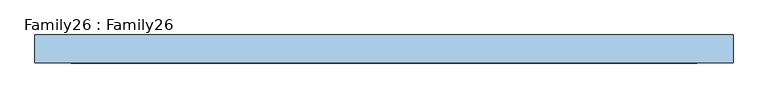
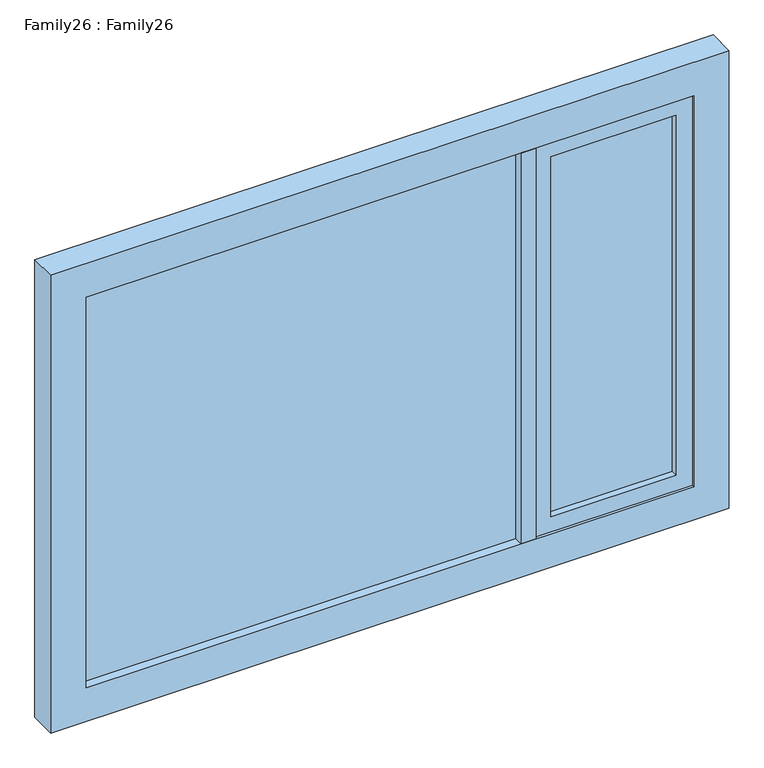
"""IFC4 building model written with IfcOpenShell, lengths in millimetres: window geometry, Family26 : Family26."""

from ifc_helpers import new_model, si_unit, frame, origin, place, context, project, spatial, polyline, outline, extrude, source, transform, mapped, element, save


def family26_family26_57f6f111(model_context):
    return source(origin(), model_context, "Body", "SweptSolid", [
        extrude(outline(polyline([(886.0, -14.0), (500.0, -14.0), (500.0, -10.0), (886.0, -10.0), (886.0, -14.0)])), frame((0.0, 0.0, 959.0), z_axis=(0.0, 0.0, 1.0), x_axis=(1.0, 0.0, 0.0)), (0.0, 0.0, 1.0), 1172.0),
        extrude(outline(polyline([(500.0, 14.0), (886.0, 14.0), (886.0, 10.0), (500.0, 10.0), (500.0, 14.0)])), frame((0.0, 0.0, 959.0), z_axis=(0.0, 0.0, 1.0), x_axis=(1.0, 0.0, 0.0)), (0.0, 0.0, 1.0), 1172.0),
        extrude(outline(polyline([(403.8050141, -14.0), (-936.0, -14.0), (-936.0, -10.0), (403.8050141, -10.0), (403.8050141, -14.0)])), frame((0.0, 0.0, 909.0), z_axis=(0.0, 0.0, 1.0), x_axis=(1.0, 0.0, 0.0)), (0.0, 0.0, 1.0), 1272.0),
        extrude(outline(polyline([(-936.0, 14.0), (403.8050141, 14.0), (403.8050141, 10.0), (-936.0, 10.0), (-936.0, 14.0)])), frame((0.0, 0.0, 909.0), z_axis=(0.0, 0.0, 1.0), x_axis=(1.0, 0.0, 0.0)), (0.0, 0.0, 1.0), 1272.0),
        extrude(outline(polyline([(450.0, 42.0), (450.0, -42.0), (403.8050141, -42.0), (403.8050141, 42.0), (450.0, 42.0)])), frame((0.0, 0.0, 909.0), z_axis=(0.0, 0.0, 1.0), x_axis=(1.0, 0.0, 0.0)), (0.0, 0.0, 1.0), 1272.0),
        extrude(outline(polyline([(2181.0, 936.0), (2181.0, 450.0), (909.0, 450.0), (909.0, 936.0), (2181.0, 936.0)]), holes=[polyline([(959.0, 500.0), (2131.0, 500.0), (2131.0, 886.0), (959.0, 886.0), (959.0, 500.0)])]), frame((0.0, -34.9035994, 0.0), z_axis=(0.0, 1.0, 0.0), x_axis=(0.0, 0.0, 1.0)), (0.0, 0.0, 1.0), 70.4146297),
        extrude(outline(polyline([(2290.0, 1045.0), (2290.0, -1045.0), (800.0, -1045.0), (800.0, 1045.0), (2290.0, 1045.0)]), holes=[polyline([(909.0, 936.0), (909.0, -936.0), (2181.0, -936.0), (2181.0, 936.0), (909.0, 936.0)])]), frame((0.0, -42.0, 0.0), z_axis=(0.0, 1.0, 0.0), x_axis=(0.0, 0.0, 1.0)), (0.0, 0.0, 1.0), 84.0),
    ])


if __name__ == "__main__":
    model = new_model("IFC4")
    model_context = context("Model", 3, world=origin())
    ifc_project = project(units=[si_unit("LENGTHUNIT", "METRE", prefix="MILLI")], contexts=[model_context])
    site = spatial("IfcSite", under=ifc_project)
    building = spatial("IfcBuilding", under=site)
    placement = place(None, origin())
    family26_family26_shape = family26_family26_57f6f111(model_context)
    element("IfcWindow", 1, ObjectType="Family26 : Family26", at=placement, inside=building, context=model_context, shape_type="MappedRepresentation", body=[
        mapped(family26_family26_shape, transform((0.0, 0.0, 0.0), x_axis=(1.0, 0.0, 0.0), y_axis=(0.0, 1.0, 0.0), z_axis=(0.0, 0.0, 1.0))),
    ])
    save(model, "model.ifc")
